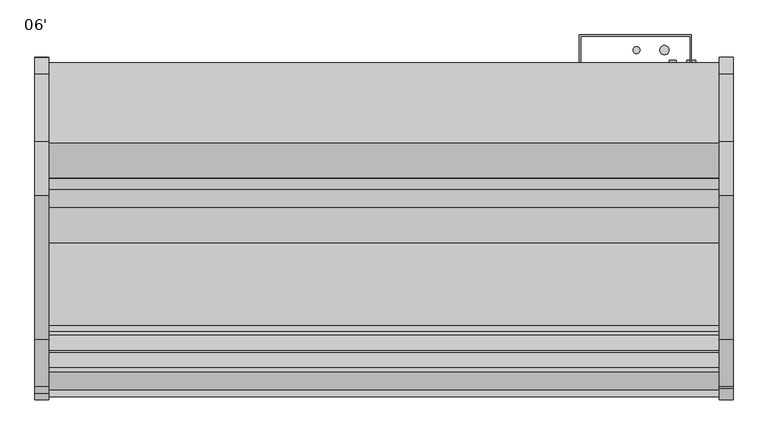
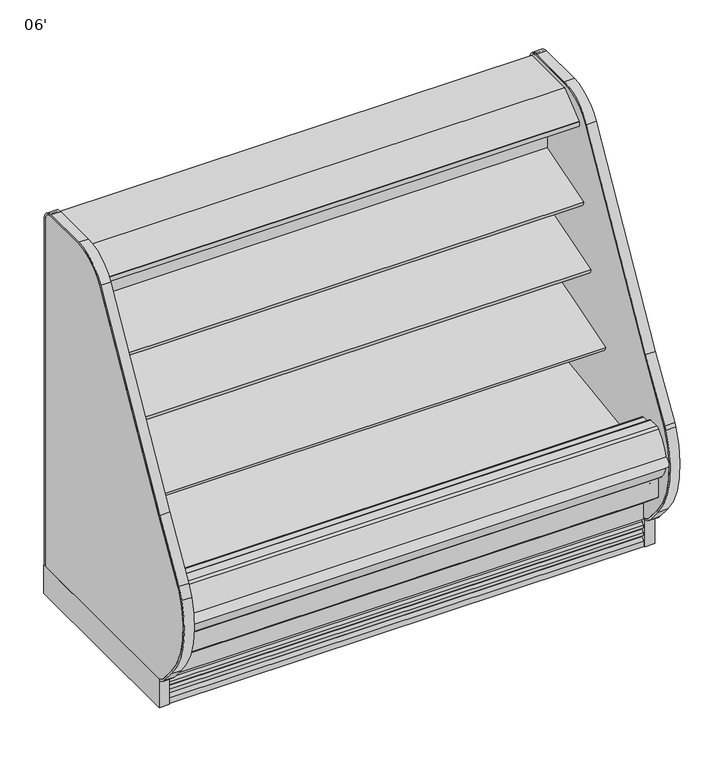
"""IFC4 building model written with IfcOpenShell, lengths in millimetres: proxy geometry, 06'."""

from ifc_helpers import new_model, si_unit, point, frame, frame_2d, origin, origin_with_axes, place, context, project, spatial, polyline, circle_curve, trimmed, segment, composite_curve, outline, extrude, source, transform, mapped, element, save
from ifc_brep_helpers import plane_surface, cylinder_surface, revolved_surface, advanced_brep


def proxy_06_6fbaabb9(model_context):
    return source(origin(), model_context, "Body", "SolidModel", [
        extrude(outline(composite_curve([segment(polyline([(-514.5091341, 1461.7730838), (-504.8016201, 1464.7713787), (-504.5349155, 1463.9078752), (-503.4677443, 1463.9078752), (-503.4677443, 1370.1435435), (-528.7629585, 1366.5907473)]), True, "CONTINUOUS"), segment(trimmed(circle_curve(frame_2d((-528.9028414, 1368.1644225)), 1.57988), [point((-528.7629585, 1366.5907473))], [point((-530.4673461, 1367.9445457))], False, "CARTESIAN"), True, "CONTINUOUS"), segment(polyline([(-530.4673461, 1367.9445457), (-531.3521558, 1374.2402938), (-530.5673882, 1374.3505857), (-529.5729936, 1367.2751005), (-505.9922352, 1370.58916), (-520.0882739, 1470.887687), (-542.8488553, 1467.8653314)]), True, "CONTINUOUS"), segment(trimmed(circle_curve(frame_2d((-542.745207, 1467.084783)), 0.7874), [point((-542.8488553, 1467.8653314))], [point((-543.5257554, 1466.9811347))], True, "CARTESIAN"), True, "CONTINUOUS"), segment(polyline([(-543.5257554, 1466.9811347), (-542.5026464, 1459.2763646), (-543.2831951, 1459.1727184), (-544.3063038, 1466.8774865)]), True, "CONTINUOUS"), segment(trimmed(circle_curve(frame_2d((-542.745207, 1467.084783)), 1.5748), [point((-544.3063038, 1466.8774865))], [point((-542.9525036, 1468.6458798))], False, "CARTESIAN"), True, "CONTINUOUS"), segment(polyline([(-542.9525036, 1468.6458798), (-518.9880924, 1471.8280909)]), True, "CONTINUOUS"), segment(trimmed(circle_curve(frame_2d((-518.7807959, 1470.2669941)), 1.5748), [point((-518.9880924, 1471.8280909))], [point((-517.2761312, 1470.7317298))], False, "CARTESIAN"), True, "CONTINUOUS"), segment(polyline([(-517.2761312, 1470.7317298), (-514.5091341, 1461.7730838)]), True, "CONTINUOUS")], self_intersect=False)), frame((0.0, 0.0, 0.0), z_axis=(1.0, 0.0, 0.0), x_axis=(0.0, 1.0, 0.0)), (0.0, 0.0, 1.0), 1828.8),
        extrude(outline(polyline([(-401.4996571, 1543.05), (-401.4996571, 1496.6220648), (-452.2996571, 1496.6220648), (-452.2996571, 1463.9078752), (-504.5349155, 1463.9078752), (-506.6141646, 1470.6398143), (-511.4086108, 1469.1589857), (-535.4786509, 1497.8445425), (-642.2469687, 1497.8445425), (-643.0851687, 1497.0063425), (-643.0851687, 1485.8811425), (-643.6432583, 1484.7023324), (-688.2811012, 1448.1263324), (-689.2470116, 1447.7811425), (-700.7436347, 1447.7811425), (-700.7436347, 1445.8493669), (-715.857653, 1445.8493669), (-715.857653, 1464.1183169), (-715.2644915, 1465.3619059), (-619.327685, 1543.05), (-401.4996571, 1543.05)])), frame((0.0, 0.0, 0.0), z_axis=(1.0, 0.0, 0.0), x_axis=(0.0, 1.0, 0.0)), (0.0, 0.0, 1.0), 1828.8),
        extrude(outline(composite_curve([segment(polyline([(-505.9922352, 1370.58916), (-529.5729936, 1367.2751005), (-530.5673882, 1374.3505857), (-542.4978224, 1459.2400359), (-543.5257554, 1466.9811347)]), True, "CONTINUOUS"), segment(trimmed(circle_curve(frame_2d((-542.745207, 1467.084783)), 0.7874), [point((-543.5257554, 1466.9811347))], [point((-542.8488553, 1467.8653314))], False, "CARTESIAN"), True, "CONTINUOUS"), segment(polyline([(-542.8488553, 1467.8653314), (-520.0882739, 1470.887687), (-505.9922352, 1370.58916)]), True, "CONTINUOUS")], self_intersect=False)), frame((0.0, 0.0, 0.0), z_axis=(1.0, 0.0, 0.0), x_axis=(0.0, 1.0, 0.0)), (0.0, 0.0, 1.0), 1828.8),
        extrude(outline(composite_curve([segment(trimmed(circle_curve(frame_2d((-586.8222651, 1471.8018376)), 14.2875), [point((-601.1097651, 1471.8018376))], [point((-572.5347651, 1471.8018376))], False, "CARTESIAN"), True, "CONTINUOUS"), segment(trimmed(circle_curve(frame_2d((-586.8222651, 1471.8018376)), 14.2875), [point((-572.5347651, 1471.8018376))], [point((-601.1097651, 1471.8018376))], False, "CARTESIAN"), True, "CONTINUOUS")], self_intersect=False)), frame((0.0, 0.0, 0.0), z_axis=(1.0, 0.0, 0.0), x_axis=(0.0, 1.0, 0.0)), (0.0, 0.0, 1.0), 1219.2),
        extrude(outline(composite_curve([segment(trimmed(circle_curve(frame_2d((-624.2110651, 1471.8018376)), 14.2875), [point((-638.4985651, 1471.8018376))], [point((-609.9235651, 1471.8018376))], False, "CARTESIAN"), True, "CONTINUOUS"), segment(trimmed(circle_curve(frame_2d((-624.2110651, 1471.8018376)), 14.2875), [point((-609.9235651, 1471.8018376))], [point((-638.4985651, 1471.8018376))], False, "CARTESIAN"), True, "CONTINUOUS")], self_intersect=False)), frame((0.0, 0.0, 0.0), z_axis=(1.0, 0.0, 0.0), x_axis=(0.0, 1.0, 0.0)), (0.0, 0.0, 1.0), 1219.2),
        extrude(outline(polyline([(1866.9, -385.6339273), (1866.9, -1152.4160029), (1828.8, -1152.4160029), (1828.8, -385.6339273), (1866.9, -385.6339273)])), origin_with_axes(), (0.0, 0.0, 1.0), 114.3),
        extrude(outline(composite_curve([segment(polyline([(-1152.4160029, 116.5798969), (-1152.4160029, 109.595887)]), True, "CONTINUOUS"), segment(trimmed(circle_curve(frame_2d((-1137.6967441, 171.4363524)), 63.5680717), [point((-1152.4160029, 109.595887))], [point((-1186.495575, 130.6984851))], False, "CARTESIAN"), True, "CONTINUOUS"), segment(polyline([(-1186.495575, 130.6984851), (-1238.6113068, 192.4078615)]), True, "CONTINUOUS"), segment(trimmed(circle_curve(frame_2d((-971.0702851, 416.9014342)), 349.25), [point((-1238.6113068, 192.4078615))], [point((-1290.6630685, 557.7418237))], False, "CARTESIAN"), True, "CONTINUOUS"), segment(trimmed(circle_curve(frame_2d((-1181.0473048, 509.9026614)), 119.6001718), [point((-1290.6630685, 557.7418237))], [point((-1283.5646612, 571.5013037))], False, "CARTESIAN"), True, "CONTINUOUS"), segment(polyline([(-1283.5646612, 571.5013037), (-1156.015482, 783.7787857), (-762.9420906, 1480.8530893)]), True, "CONTINUOUS"), segment(trimmed(circle_curve(frame_2d((-615.9139315, 1397.9453465)), 168.7926935), [point((-762.9420906, 1480.8530893))], [point((-615.9139315, 1566.73804))], False, "CARTESIAN"), True, "CONTINUOUS"), segment(polyline([(-615.9139315, 1566.73804), (-431.2380096, 1566.7610104)]), True, "CONTINUOUS"), segment(trimmed(circle_curve(frame_2d((-431.2324808, 1522.3110107)), 44.45), [point((-431.2380096, 1566.7610104))], [point((-386.7824808, 1522.3110107))], False, "CARTESIAN"), True, "CONTINUOUS"), segment(polyline([(-386.7824808, 1522.3110107), (-386.7824808, 114.3229711), (-393.1324808, 114.3229711), (-393.1324808, 1522.3110108)]), True, "CONTINUOUS"), segment(trimmed(circle_curve(frame_2d((-431.2324808, 1522.3110108)), 38.1), [point((-393.1324808, 1522.3110108))], [point((-431.2373794, 1560.4110104))], True, "CARTESIAN"), True, "CONTINUOUS"), segment(polyline([(-431.2373794, 1560.4110104), (-616.4365773, 1560.3871992)]), True, "CONTINUOUS"), segment(trimmed(circle_curve(frame_2d((-615.9139315, 1397.9453465)), 162.4426935), [point((-616.4365773, 1560.3871992))], [point((-757.4108748, 1477.7340908))], True, "CARTESIAN"), True, "CONTINUOUS"), segment(polyline([(-757.4108748, 1477.7340908), (-1150.5273223, 780.5834317), (-1281.3767651, 562.8133887)]), True, "CONTINUOUS"), segment(trimmed(circle_curve(frame_2d((-971.0702851, 416.9014342)), 342.9), [point((-1281.3767651, 562.8133887))], [point((-1233.7469246, 196.4895629))], True, "CARTESIAN"), True, "CONTINUOUS"), segment(polyline([(-1233.7469246, 196.4895629), (-1181.4257503, 135.1646002)]), True, "CONTINUOUS"), segment(trimmed(circle_curve(frame_2d((-1137.4891348, 171.8136543)), 57.2152021), [point((-1181.4257503, 135.1646002))], [point((-1152.4160029, 116.5798969))], True, "CARTESIAN"), True, "CONTINUOUS")], self_intersect=False)), frame((1828.8, 0.0, 0.0), z_axis=(1.0, 0.0, 0.0), x_axis=(0.0, 1.0, 0.0)), (0.0, 0.0, 1.0), 38.1),
        extrude(outline(composite_curve([segment(trimmed(circle_curve(frame_2d((-1137.0029315, 171.45)), 57.15), [point((-1152.4160029, 116.4176483))], [point((-1180.7823715, 134.7146881))], False, "CARTESIAN"), True, "CONTINUOUS"), segment(polyline([(-1180.7823715, 134.7146881), (-1233.7512633, 196.4665918)]), True, "CONTINUOUS"), segment(trimmed(circle_curve(frame_2d((-971.0746237, 416.8784632)), 342.9), [point((-1233.7512633, 196.4665918))], [point((-1281.3469933, 562.8629373))], False, "CARTESIAN"), True, "CONTINUOUS"), segment(polyline([(-1281.3469933, 562.8629373), (-1150.5273223, 780.5834317), (-757.4108748, 1477.7340908)]), True, "CONTINUOUS"), segment(trimmed(circle_curve(frame_2d((-615.9139315, 1397.9453465)), 162.4426935), [point((-757.4108748, 1477.7340908))], [point((-615.9139315, 1560.38804))], False, "CARTESIAN"), True, "CONTINUOUS"), segment(polyline([(-615.9139315, 1560.38804), (-430.0839273, 1560.38804)]), True, "CONTINUOUS"), segment(trimmed(circle_curve(frame_2d((-430.0839273, 1522.28804)), 38.1), [point((-430.0839273, 1560.38804))], [point((-391.9839273, 1522.28804))], False, "CARTESIAN"), True, "CONTINUOUS"), segment(polyline([(-391.9839273, 1522.28804), (-391.9839273, 114.3), (-1152.4160029, 114.3), (-1152.4160029, 116.4176483)]), True, "CONTINUOUS")], self_intersect=False)), frame((1828.8, 0.0, 0.0), z_axis=(1.0, 0.0, 0.0), x_axis=(0.0, 1.0, 0.0)), (0.0, 0.0, 1.0), 38.1),
        extrude(outline(composite_curve([segment(polyline([(-503.4770145, 920.8287489), (-520.8520366, 915.1919252)]), True, "CONTINUOUS"), segment(trimmed(circle_curve(frame_2d((-528.6901714, 939.3522986)), 25.4), [point((-520.8520366, 915.1919252))], [point((-538.1963728, 915.7982727))], False, "CARTESIAN"), True, "CONTINUOUS"), segment(polyline([(-538.1963728, 915.7982727), (-559.4917706, 924.3929113)]), True, "CONTINUOUS"), segment(trimmed(circle_curve(frame_2d((-583.257274, 865.5078465)), 63.5), [point((-559.4917706, 924.3929113))], [point((-594.1259367, 928.0707922))], True, "CARTESIAN"), True, "CONTINUOUS"), segment(polyline([(-594.1259367, 928.0707922), (-731.8940366, 910.7307584), (-734.3236807, 913.5856986), (-790.800009, 896.3191523), (-794.9587042, 909.9216311), (-503.4770145, 999.0365267), (-503.4770145, 920.8287489)]), True, "CONTINUOUS")], self_intersect=False)), frame((0.0, 0.0, 0.0), z_axis=(1.0, 0.0, 0.0), x_axis=(0.0, 1.0, 0.0)), (0.0, 0.0, 1.0), 1828.8),
        extrude(outline(composite_curve([segment(trimmed(circle_curve(frame_2d((-1293.046896, 431.6467295)), 19.6948721), [point((-1294.5628329, 412.0102858))], [point((-1294.1478613, 451.310805))], False, "CARTESIAN"), True, "CONTINUOUS"), segment(trimmed(circle_curve(frame_2d((-1122.0488977, 406.9971865)), 177.712549), [point((-1294.1478613, 451.310805))], [point((-1294.961171, 448.0227374))], True, "CARTESIAN"), True, "CONTINUOUS"), segment(trimmed(circle_curve(frame_2d((-1207.0580757, 430.9866152)), 89.5387269), [point((-1294.961171, 448.0227374))], [point((-1294.5628329, 412.0102858))], True, "CARTESIAN"), True, "CONTINUOUS")], self_intersect=False)), frame((0.0, 0.0, 0.0), z_axis=(1.0, 0.0, 0.0), x_axis=(0.0, 1.0, 0.0)), (0.0, 0.0, 1.0), 1828.8),
        extrude(outline(composite_curve([segment(trimmed(circle_curve(frame_2d((1669.0362287, -1007.9339273)), 12.7), [point((1656.3362287, -1007.9339273))], [point((1681.7362287, -1007.9339273))], False, "CARTESIAN"), True, "CONTINUOUS"), segment(trimmed(circle_curve(frame_2d((1669.0362287, -1007.9339273)), 12.7), [point((1681.7362287, -1007.9339273))], [point((1656.3362287, -1007.9339273))], False, "CARTESIAN"), True, "CONTINUOUS")], self_intersect=False)), frame((0.0, 0.0, 68.5310382), z_axis=(0.0, 0.0, 1.0), x_axis=(1.0, 0.0, 0.0)), (0.0, 0.0, 1.0), 52.7807458),
        extrude(outline(composite_curve([segment(trimmed(circle_curve(frame_2d((1618.83831, -1007.9339273)), 9.525), [point((1609.31331, -1007.9339273))], [point((1628.36331, -1007.9339273))], False, "CARTESIAN"), True, "CONTINUOUS"), segment(trimmed(circle_curve(frame_2d((1618.83831, -1007.9339273)), 9.525), [point((1628.36331, -1007.9339273))], [point((1609.31331, -1007.9339273))], False, "CARTESIAN"), True, "CONTINUOUS")], self_intersect=False)), frame((0.0, 0.0, 68.5310382), z_axis=(0.0, 0.0, 1.0), x_axis=(1.0, 0.0, 0.0)), (0.0, 0.0, 1.0), 52.7807458),
        extrude(outline(polyline([(0.0, -385.6339273), (0.0, -1152.4160029), (-38.1, -1152.4160029), (-38.1, -385.6339273), (0.0, -385.6339273)])), origin_with_axes(), (0.0, 0.0, 1.0), 114.3),
        extrude(outline(composite_curve([segment(polyline([(-1152.4160029, 116.5386609), (-1152.4160029, 109.5719159)]), True, "CONTINUOUS"), segment(trimmed(circle_curve(frame_2d((-1137.6993705, 171.4132571)), 63.5683156), [point((-1152.4160029, 109.5719159))], [point((-1186.4987719, 130.6756925))], False, "CARTESIAN"), True, "CONTINUOUS"), segment(polyline([(-1186.4987719, 130.6756925), (-1231.7344679, 184.4584385)]), True, "CONTINUOUS"), segment(trimmed(circle_curve(frame_2d((-971.0702851, 416.9014342)), 349.25), [point((-1231.7344679, 184.4584385))], [point((-1302.5796605, 526.7972782))], False, "CARTESIAN"), True, "CONTINUOUS"), segment(trimmed(circle_curve(frame_2d((-1021.326846, 433.5615578)), 296.3039744), [point((-1302.5796605, 526.7972782))], [point((-1283.5646612, 571.5013037))], False, "CARTESIAN"), True, "CONTINUOUS"), segment(polyline([(-1283.5646612, 571.5013037), (-1156.015482, 783.7787857), (-762.9420906, 1480.8530893)]), True, "CONTINUOUS"), segment(trimmed(circle_curve(frame_2d((-615.9139315, 1397.9453465)), 168.7926935), [point((-762.9420906, 1480.8530893))], [point((-615.9139315, 1566.73804))], False, "CARTESIAN"), True, "CONTINUOUS"), segment(polyline([(-615.9139315, 1566.73804), (-431.1541381, 1566.3062631)]), True, "CONTINUOUS"), segment(trimmed(circle_curve(frame_2d((-431.1541381, 1522.1043075)), 44.2019557), [point((-431.1541381, 1566.3062631))], [point((-386.9521824, 1522.1043075))], False, "CARTESIAN"), True, "CONTINUOUS"), segment(polyline([(-386.9521824, 1522.1043075), (-386.9521824, 114.3), (-393.1368195, 114.3), (-393.1368195, 1522.28804)]), True, "CONTINUOUS"), segment(trimmed(circle_curve(frame_2d((-431.2368195, 1522.28804)), 38.1), [point((-393.1368195, 1522.28804))], [point((-431.2368195, 1560.38804))], True, "CARTESIAN"), True, "CONTINUOUS"), segment(polyline([(-431.2368195, 1560.38804), (-615.9139315, 1560.38804)]), True, "CONTINUOUS"), segment(trimmed(circle_curve(frame_2d((-615.9139315, 1397.9453465)), 162.4426935), [point((-615.9139315, 1560.38804))], [point((-757.4108748, 1477.7340908))], True, "CARTESIAN"), True, "CONTINUOUS"), segment(polyline([(-757.4108748, 1477.7340908), (-1150.5273223, 780.5834317), (-1281.3469933, 562.8629373)]), True, "CONTINUOUS"), segment(trimmed(circle_curve(frame_2d((-971.0746237, 416.8784632)), 342.9), [point((-1281.3469933, 562.8629373))], [point((-1233.7512633, 196.4665918))], True, "CARTESIAN"), True, "CONTINUOUS"), segment(polyline([(-1233.7512633, 196.4665918), (-1181.2448323, 135.0745651)]), True, "CONTINUOUS"), segment(trimmed(circle_curve(frame_2d((-1137.3076402, 171.7232892)), 57.2154334), [point((-1181.2448323, 135.0745651))], [point((-1152.4160029, 116.5386609))], True, "CARTESIAN"), True, "CONTINUOUS")], self_intersect=False)), frame((-38.1, 0.0, 0.0), z_axis=(1.0, 0.0, 0.0), x_axis=(0.0, 1.0, 0.0)), (0.0, 0.0, 1.0), 38.1),
        extrude(outline(composite_curve([segment(trimmed(circle_curve(frame_2d((-1137.2511707, 171.7304997)), 57.2147041), [point((-1152.4160029, 116.562119))], [point((-1181.1891263, 135.0838297))], False, "CARTESIAN"), True, "CONTINUOUS"), segment(polyline([(-1181.1891263, 135.0838297), (-1233.4618414, 196.9898389)]), True, "CONTINUOUS"), segment(trimmed(circle_curve(frame_2d((-972.7472142, 417.1342414)), 341.2267205), [point((-1233.4618414, 196.9898389))], [point((-1282.8750242, 559.4592788))], False, "CARTESIAN"), True, "CONTINUOUS"), segment(trimmed(circle_curve(frame_2d((-1158.7397111, 498.0860076)), 138.4783535), [point((-1282.8750242, 559.4592788))], [point((-1277.4328013, 569.4176605))], False, "CARTESIAN"), True, "CONTINUOUS"), segment(polyline([(-1277.4328013, 569.4176605), (-1150.5273223, 780.5834317), (-757.4108748, 1477.7340908)]), True, "CONTINUOUS"), segment(trimmed(circle_curve(frame_2d((-615.9139315, 1397.9453465)), 162.4426935), [point((-757.4108748, 1477.7340908))], [point((-615.9139315, 1560.38804))], False, "CARTESIAN"), True, "CONTINUOUS"), segment(polyline([(-615.9139315, 1560.38804), (-431.2178632, 1560.2961463)]), True, "CONTINUOUS"), segment(trimmed(circle_curve(frame_2d((-431.2368195, 1522.196151)), 38.1), [point((-431.2178632, 1560.2961463))], [point((-393.1368195, 1522.196151))], False, "CARTESIAN"), True, "CONTINUOUS"), segment(polyline([(-393.1368195, 1522.196151), (-393.1368195, 114.2081157), (-1152.4160029, 114.2081157), (-1152.4160029, 116.562119)]), True, "CONTINUOUS")], self_intersect=False)), frame((-38.1, 0.0, 0.0), z_axis=(1.0, 0.0, 0.0), x_axis=(0.0, 1.0, 0.0)), (0.0, 0.0, 1.0), 38.1),
        extrude(outline(polyline([(1749.425, -401.5089273), (1749.425, -328.4839273), (1450.975, -328.4839273), (1450.975, -401.5089273), (1447.8, -401.5089273), (1447.8, -325.3089273), (1752.6, -325.3089273), (1752.6, -401.5089273), (1749.425, -401.5089273)])), frame((0.0, 0.0, 522.6122796), z_axis=(0.0, 0.0, 1.0), x_axis=(1.0, 0.0, 0.0)), (0.0, 0.0, 1.0), 828.7215991),
        advanced_brep(
        [(0.0, -401.5089273, 1496.6220648), (0.0, -401.5089273, 130.175), (0.0, -1092.9329421, 130.175), (0.0, -1242.6779256, 255.8259604), (0.0, -1242.6779256, 390.4771975), (0.0, -1191.6695874, 390.4771975), (0.0, -1191.6695874, 280.6965658), (0.0, -1081.6882807, 188.4112919), (0.0, -1075.5167374, 188.6268069), (0.0, -1036.8125365, 160.6272219), (0.0, -1035.5745571, 160.670453), (0.0, -1022.2030531, 151.6562137), (0.0, -961.9148015, 153.7615258), (0.0, -949.2046713, 163.6865559), (0.0, -947.966692, 163.7297871), (0.0, -911.2586215, 194.4039054), (0.0, -452.3089273, 210.4307819), (0.0, -452.3089273, 1496.6220648), (1828.8, -401.5089273, 1496.6220648), (1828.8, -452.3089273, 1496.6220648), (1828.8, -452.3089273, 210.4307819), (1828.8, -911.2586215, 194.4039054), (1828.8, -947.966692, 163.7297871), (1828.8, -949.2046713, 163.6865559), (1828.8, -961.9148015, 153.7615258), (1828.8, -1022.2030531, 151.6562137), (1828.8, -1035.5745571, 160.670453), (1828.8, -1036.8125365, 160.6272219), (1828.8, -1075.5167374, 188.6268069), (1828.8, -1081.6882807, 188.4112919), (1828.8, -1191.6695874, 280.6965658), (1828.8, -1191.6695874, 390.4771975), (1828.8, -1242.6779256, 390.4771975), (1828.8, -1242.6779256, 255.8259604), (1828.8, -1092.9329421, 130.175), (1828.8, -401.5089273, 130.175), (1727.2, -401.5089273, 368.3), (1727.2, -401.5089273, 266.7), (1727.2, -446.7209273, 266.7), (1727.2, -446.7209273, 368.3)],
        [
            (0, 1),
            (1, 2),
            (2, 3),
            (3, 4),
            (4, 5),
            (5, 6),
            (6, 7),
            (7, 8),
            (8, 9),
            (9, 10),
            (10, 11),
            (11, 12),
            (12, 13),
            (13, 14),
            (14, 15),
            (15, 16),
            (16, 17),
            (17, 0),
            (18, 19),
            (19, 20),
            (20, 21),
            (21, 22),
            (22, 23),
            (23, 24),
            (24, 25),
            (25, 26),
            (26, 27),
            (27, 28),
            (28, 29),
            (29, 30),
            (30, 31),
            (31, 32),
            (32, 33),
            (33, 34),
            (34, 35),
            (35, 18),
            (17, 19),
            (18, 0),
            (16, 20),
            (1, 35),
            (34, 2),
            (36, 37, circle_curve(frame((1727.2, -401.5089273, 317.5), z_axis=(0.0, -1.0, 0.0), x_axis=(0.0, 0.0, 1.0)), 50.8)),
            (37, 36, circle_curve(frame((1727.2, -401.5089273, 317.5), z_axis=(0.0, -1.0, 0.0), x_axis=(0.0, 0.0, 1.0)), 50.8)),
            (38, 39, circle_curve(frame((1727.2, -446.7209273, 317.5), z_axis=(0.0, 1.0, 0.0), x_axis=(0.0, 0.0, 1.0)), 50.8)),
            (39, 38, circle_curve(frame((1727.2, -446.7209273, 317.5), z_axis=(0.0, 1.0, 0.0), x_axis=(0.0, 0.0, 1.0)), 50.8)),
            (38, 37),
            (36, 39),
            (15, 21),
            (14, 22),
            (13, 23),
            (12, 24),
            (11, 25),
            (10, 26),
            (9, 27),
            (8, 28),
            (7, 29),
            (6, 30),
            (5, 31),
            (4, 32),
            (3, 33),
        ],
        [
            plane_surface(frame((0.0, -452.3089273, 1496.6220648), z_axis=(-1.0, 0.0, 0.0), x_axis=(0.0, 1.0, 0.0))),
            plane_surface(frame((1828.8, -452.3089273, 1496.6220648), z_axis=(1.0, 0.0, 0.0), x_axis=(0.0, -1.0, 0.0))),
            plane_surface(frame((1828.8, -401.5089273, 1496.6220648), z_axis=(0.0, 0.0, 1.0), x_axis=(-1.0, 0.0, 0.0))),
            plane_surface(frame((1828.8, -452.3089273, 1496.6220648), z_axis=(0.0, -1.0, 0.0), x_axis=(-1.0, 0.0, 0.0))),
            plane_surface(frame((1828.8, -1092.9329421, 130.175), z_axis=(0.0, 0.0, -1.0), x_axis=(-1.0, 0.0, 0.0))),
            plane_surface(frame((1828.8, -401.5089273, 130.175), z_axis=(0.0, 1.0, 0.0), x_axis=(-1.0, 0.0, 0.0))),
            plane_surface(frame((1727.2, -446.7209273, 368.3), z_axis=(0.0, 1.0, 0.0), x_axis=(-1.0, 0.0, 0.0))),
            revolved_surface(polyline([(1727.2, -401.5089273, 368.3), (1727.2, -446.7209273, 368.3)]), (1727.2, -446.7209273, 317.5), (0.0, 1.0, 0.0)),
            plane_surface(frame((1828.8, -452.3089273, 210.4307819), z_axis=(0.0, -0.034899496702464096, 0.9993908270190971), x_axis=(-1.0, 0.0, 0.0))),
            plane_surface(frame((1828.8, -911.2586215, 194.4039054), z_axis=(0.0, -0.6412208566386186, 0.7673563794037528), x_axis=(-1.0, 0.0, 0.0))),
            plane_surface(frame((1828.8, -947.966692, 163.7297871), z_axis=(0.0, -0.03489949670032392, 0.9993908270191718), x_axis=(-1.0, 0.0, 0.0))),
            plane_surface(frame((1828.8, -949.2046713, 163.6865559), z_axis=(0.0, -0.6154607629252682, 0.7881675261639793), x_axis=(-1.0, 0.0, 0.0))),
            plane_surface(frame((1828.8, -961.9148015, 153.7615258), z_axis=(0.0, -0.03489949670245096, 0.9993908270190975), x_axis=(-1.0, 0.0, 0.0))),
            plane_surface(frame((1828.8, -1022.2030531, 151.6562137), z_axis=(0.0, 0.5589817440968015, 0.8291799622316606), x_axis=(-1.0, 0.0, 0.0))),
            plane_surface(frame((1828.8, -1035.5745571, 160.670453), z_axis=(0.0, -0.03489949670146529, 0.999390827019132), x_axis=(-1.0, 0.0, 0.0))),
            plane_surface(frame((1828.8, -1036.8125365, 160.6272219), z_axis=(0.0, 0.5861307997256017, 0.810216443682197), x_axis=(-1.0, 0.0, 0.0))),
            plane_surface(frame((1828.8, -1075.5167374, 188.6268069), z_axis=(0.0, -0.034899496703538944, 0.9993908270190596), x_axis=(-1.0, 0.0, 0.0))),
            plane_surface(frame((1828.8, -1081.6882807, 188.4112919), z_axis=(0.0, 0.6427876096870883, 0.7660444431185175), x_axis=(-1.0, 0.0, 0.0))),
            plane_surface(frame((1828.8, -1191.6695874, 280.6965658), z_axis=(0.0, 1.0, 0.0), x_axis=(-1.0, 0.0, 0.0))),
            plane_surface(frame((1828.8, -1191.6695874, 390.4771975), z_axis=(0.0, 0.0, 1.0), x_axis=(-1.0, 0.0, 0.0))),
            plane_surface(frame((1828.8, -1242.6779256, 390.4771975), z_axis=(0.0, -1.0, 0.0), x_axis=(-1.0, 0.0, 0.0))),
            plane_surface(frame((1828.8, -1242.6779256, 255.8259604), z_axis=(0.0, -0.6427876096870784, -0.7660444431185257), x_axis=(-1.0, 0.0, 0.0))),
        ],
        [
            (0, [[1, 2, 3, 4, 5, 6, 7, 8, 9, 10, 11, 12, 13, 14, 15, 16, 17, 18]]),
            (1, [[19, 20, 21, 22, 23, 24, 25, 26, 27, 28, 29, 30, 31, 32, 33, 34, 35, 36]]),
            (2, [[-18, 37, -19, 38]]),
            (3, [[-17, 39, -20, -37]]),
            (4, [[-2, 40, -35, 41]]),
            (5, [[-1, -38, -36, -40], [42, 43]]),
            (6, [[44, 45]]),
            (7, [[-44, 46, -42, 47]]),
            (7, [[-45, -47, -43, -46]]),
            (8, [[-16, 48, -21, -39]]),
            (9, [[-15, 49, -22, -48]]),
            (10, [[-14, 50, -23, -49]]),
            (11, [[-13, 51, -24, -50]]),
            (12, [[-12, 52, -25, -51]]),
            (13, [[-11, 53, -26, -52]]),
            (14, [[-10, 54, -27, -53]]),
            (15, [[-9, 55, -28, -54]]),
            (16, [[-8, 56, -29, -55]]),
            (17, [[-7, 57, -30, -56]]),
            (18, [[-6, 58, -31, -57]]),
            (19, [[-5, 59, -32, -58]]),
            (20, [[-4, 60, -33, -59]]),
            (21, [[-3, -41, -34, -60]]),
        ],
    ),
        extrude(outline(composite_curve([segment(polyline([(-503.4770145, 1229.6443045), (-503.4770145, 1151.1243135), (-520.8520366, 1145.4874898)]), True, "CONTINUOUS"), segment(trimmed(circle_curve(frame_2d((-528.6901714, 1169.6478632)), 25.4), [point((-520.8520366, 1145.4874898))], [point((-538.1963728, 1146.0938373))], False, "CARTESIAN"), True, "CONTINUOUS"), segment(polyline([(-538.1963728, 1146.0938373), (-559.4917706, 1154.6884758)]), True, "CONTINUOUS"), segment(trimmed(circle_curve(frame_2d((-583.257274, 1095.8034111)), 63.5), [point((-559.4917706, 1154.6884758))], [point((-594.1259367, 1158.3663568))], True, "CARTESIAN"), True, "CONTINUOUS"), segment(polyline([(-594.1259367, 1158.3663568), (-683.313755, 1155.8788055), (-685.7433991, 1158.7337458), (-742.2197274, 1141.4671994), (-746.4657163, 1155.3552031), (-503.4770145, 1229.6443045)]), True, "CONTINUOUS")], self_intersect=False)), frame((0.0, 0.0, 0.0), z_axis=(1.0, 0.0, 0.0), x_axis=(0.0, 1.0, 0.0)), (0.0, 0.0, 1.0), 1828.8),
        extrude(outline(composite_curve([segment(polyline([(-503.4770145, 694.2615222), (-521.9044919, 688.2832597)]), True, "CONTINUOUS"), segment(trimmed(circle_curve(frame_2d((-528.6901714, 712.7600764)), 25.4), [point((-521.9044919, 688.2832597))], [point((-538.1963728, 689.2060505))], False, "CARTESIAN"), True, "CONTINUOUS"), segment(polyline([(-538.1963728, 689.2060505), (-559.4917706, 697.8006891)]), True, "CONTINUOUS"), segment(trimmed(circle_curve(frame_2d((-583.257274, 638.9156243)), 63.5), [point((-559.4917706, 697.8006891))], [point((-594.1259367, 701.47857))], True, "CARTESIAN"), True, "CONTINUOUS"), segment(polyline([(-594.1259367, 701.47857), (-829.0545998, 654.433571), (-831.4842439, 657.2885112), (-887.9605722, 640.0219649), (-892.1192674, 653.6244437), (-503.4770145, 772.4443045), (-503.4770145, 694.2615222)]), True, "CONTINUOUS")], self_intersect=False)), frame((0.0, 0.0, 0.0), z_axis=(1.0, 0.0, 0.0), x_axis=(0.0, 1.0, 0.0)), (0.0, 0.0, 1.0), 1828.8),
        extrude(outline(composite_curve([segment(polyline([(-1232.9683917, 539.75), (-1190.5503917, 539.75)]), True, "CONTINUOUS"), segment(trimmed(circle_curve(frame_2d((-1190.5503917, 536.575)), 3.175), [point((-1190.5503917, 539.75))], [point((-1187.3753917, 536.575))], False, "CARTESIAN"), True, "CONTINUOUS"), segment(polyline([(-1187.3753917, 536.575), (-1187.3753917, 522.6122796), (-1191.6695874, 522.6122796), (-1191.6695874, 390.4771975), (-1242.6779256, 390.4771975), (-1242.6779256, 349.7062579), (-1260.1512454, 349.7062579)]), True, "CONTINUOUS"), segment(trimmed(circle_curve(frame_2d((-1260.1512454, 355.8622108)), 6.1559529), [point((-1260.1512454, 349.7062579))], [point((-1264.7308437, 351.7484491))], False, "CARTESIAN"), True, "CONTINUOUS"), segment(trimmed(circle_curve(frame_2d((-1169.5637477, 436.1498983)), 127.2021258), [point((-1264.7308437, 351.7484491))], [point((-1296.5567312, 443.441191))], False, "CARTESIAN"), True, "CONTINUOUS"), segment(trimmed(circle_curve(frame_2d((-1122.94688, 405.0685499)), 177.8), [point((-1296.5567312, 443.441191))], [point((-1243.7548144, 535.5226912))], False, "CARTESIAN"), True, "CONTINUOUS"), segment(trimmed(circle_curve(frame_2d((-1232.9683917, 523.875)), 15.875), [point((-1243.7548144, 535.5226912))], [point((-1232.9683917, 539.75))], False, "CARTESIAN"), True, "CONTINUOUS")], self_intersect=False)), frame((0.0, 0.0, 0.0), z_axis=(1.0, 0.0, 0.0), x_axis=(0.0, 1.0, 0.0)), (0.0, 0.0, 1.0), 1828.8),
        extrude(outline(composite_curve([segment(polyline([(-1117.0624519, 150.4220627), (-1117.0624519, 0.0), (-1148.0584493, 0.0), (-1148.0584493, 21.591952)]), True, "CONTINUOUS"), segment(trimmed(circle_curve(frame_2d((-1147.5226258, 35.2873287)), 13.7058546), [point((-1148.0584493, 21.591952))], [point((-1134.4406464, 31.1992648))], True, "CARTESIAN"), True, "CONTINUOUS"), segment(polyline([(-1134.4406464, 31.1992648), (-1131.6258599, 40.2067021), (-1143.5826446, 40.2067021), (-1143.5826446, 52.9067021)]), True, "CONTINUOUS"), segment(trimmed(circle_curve(frame_2d((-1148.0005124, 66.4088493)), 14.2065314), [point((-1143.5826446, 52.9067021))], [point((-1134.4406464, 62.1714479))], True, "CARTESIAN"), True, "CONTINUOUS"), segment(polyline([(-1134.4406464, 62.1714479), (-1131.6258599, 71.1788852), (-1143.5826446, 71.1788852), (-1143.5826446, 83.8788852)]), True, "CONTINUOUS"), segment(trimmed(circle_curve(frame_2d((-1148.0728877, 97.4524489)), 14.2969897), [point((-1143.5826446, 83.8788852))], [point((-1134.4406464, 93.143631))], True, "CARTESIAN"), True, "CONTINUOUS"), segment(polyline([(-1134.4406464, 93.143631), (-1130.9515493, 104.1824391), (-1130.9515493, 107.8329403), (-1143.8191893, 107.8329403), (-1143.8191893, 172.8736313), (-1117.0624519, 150.4220627)]), True, "CONTINUOUS")], self_intersect=False)), frame((0.0, 0.0, 0.0), z_axis=(1.0, 0.0, 0.0), x_axis=(0.0, 1.0, 0.0)), (0.0, 0.0, 1.0), 1828.8),
        extrude(outline(composite_curve([segment(trimmed(circle_curve(frame_2d((1603.375, -366.5839273)), 9.525), [point((1593.85, -366.5839273))], [point((1612.9, -366.5839273))], False, "CARTESIAN"), True, "CONTINUOUS"), segment(trimmed(circle_curve(frame_2d((1603.375, -366.5839273)), 9.525), [point((1612.9, -366.5839273))], [point((1593.85, -366.5839273))], False, "CARTESIAN"), True, "CONTINUOUS")], self_intersect=False)), frame((0.0, 0.0, 1070.4944621), z_axis=(0.0, 0.0, 1.0), x_axis=(1.0, 0.0, 0.0)), (0.0, 0.0, 1.0), 291.1992178),
        extrude(outline(composite_curve([segment(trimmed(circle_curve(frame_2d((1679.575, -366.5839273)), 12.7), [point((1666.875, -366.5839273))], [point((1692.275, -366.5839273))], False, "CARTESIAN"), True, "CONTINUOUS"), segment(trimmed(circle_curve(frame_2d((1679.575, -366.5839273)), 12.7), [point((1692.275, -366.5839273))], [point((1666.875, -366.5839273))], False, "CARTESIAN"), True, "CONTINUOUS")], self_intersect=False)), frame((0.0, 0.0, 1070.4944621), z_axis=(0.0, 0.0, 1.0), x_axis=(1.0, 0.0, 0.0)), (0.0, 0.0, 1.0), 291.1992178),
        extrude(outline(composite_curve([segment(trimmed(circle_curve(frame_2d((317.5, 1752.6)), 12.7), [point((317.5, 1765.3))], [point((317.5, 1739.9))], False, "CARTESIAN"), True, "CONTINUOUS"), segment(trimmed(circle_curve(frame_2d((317.5, 1752.6)), 12.7), [point((317.5, 1739.9))], [point((317.5, 1765.3))], False, "CARTESIAN"), True, "CONTINUOUS")], self_intersect=False)), frame((0.0, -446.7209273, 0.0), z_axis=(0.0, 1.0, 0.0), x_axis=(0.0, 0.0, 1.0)), (0.0, 0.0, 1.0), 52.8518438),
        extrude(outline(composite_curve([segment(trimmed(circle_curve(frame_2d((317.5, 1701.8)), 9.525), [point((317.5, 1711.325))], [point((317.5, 1692.275))], False, "CARTESIAN"), True, "CONTINUOUS"), segment(trimmed(circle_curve(frame_2d((317.5, 1701.8)), 9.525), [point((317.5, 1692.275))], [point((317.5, 1711.325))], False, "CARTESIAN"), True, "CONTINUOUS")], self_intersect=False)), frame((0.0, -446.7209273, 0.0), z_axis=(0.0, 1.0, 0.0), x_axis=(0.0, 0.0, 1.0)), (0.0, 0.0, 1.0), 52.8518438),
        extrude(outline(composite_curve([segment(trimmed(circle_curve(frame_2d((914.4, -988.8839273)), 38.1), [point((876.3, -988.8839273))], [point((952.5, -988.8839273))], False, "CARTESIAN"), True, "CONTINUOUS"), segment(trimmed(circle_curve(frame_2d((914.4, -988.8839273)), 38.1), [point((952.5, -988.8839273))], [point((876.3, -988.8839273))], False, "CARTESIAN"), True, "CONTINUOUS")], self_intersect=False)), frame((0.0, 0.0, 68.5310382), z_axis=(0.0, 0.0, 1.0), x_axis=(1.0, 0.0, 0.0)), (0.0, 0.0, 1.0), 52.7807458),
        advanced_brep(
        [(0.0, -1018.0355073, 16.9113003), (0.0, -1117.0624519, 16.9113003), (0.0, -1117.0624519, 150.4220627), (0.0, -1092.9329421, 130.175), (0.0, -1018.0355073, 130.175), (1828.8, -1018.0355073, 16.9113003), (1828.8, -1018.0355073, 130.175), (1828.8, -1092.9329421, 130.175), (1828.8, -1117.0624519, 150.4220627), (1828.8, -1117.0624519, 16.9113003), (1697.6105208, -1018.0355073, 16.9113003), (1697.6105208, -1018.0355073, 121.311784), (1598.0394792, -1018.0355073, 121.311784), (1598.0394792, -1018.0355073, 16.9113003), (956.0031896, -1018.0355073, 16.9113003), (956.0031896, -1018.0355073, 121.311784), (872.7968104, -1018.0355073, 121.311784), (872.7968104, -1018.0355073, 16.9113003)],
        [
            (0, 1),
            (1, 2),
            (2, 3),
            (3, 4),
            (4, 0),
            (5, 6),
            (6, 7),
            (7, 8),
            (8, 9),
            (9, 5),
            (4, 6),
            (5, 10),
            (10, 11),
            (11, 12),
            (12, 13),
            (13, 14),
            (14, 15),
            (15, 16),
            (16, 17),
            (17, 0),
            (3, 7),
            (17, 14, circle_curve(frame((914.4, -988.8839273, 16.9113003), z_axis=(0.0, 0.0, 1.0), x_axis=(1.0, 0.0, 0.0)), 50.8)),
            (13, 10, circle_curve(frame((1647.825, -1007.9339273, 16.9113003), z_axis=(0.0, 0.0, 1.0), x_axis=(1.0, 0.0, 0.0)), 50.8)),
            (9, 1),
            (15, 16, circle_curve(frame((914.4, -988.8839273, 121.311784), z_axis=(0.0, 0.0, -1.0), x_axis=(1.0, 0.0, 0.0)), 50.8)),
            (8, 2),
            (11, 12, circle_curve(frame((1647.825, -1007.9339273, 121.311784), z_axis=(0.0, 0.0, -1.0), x_axis=(1.0, 0.0, 0.0)), 50.8)),
        ],
        [
            plane_surface(frame((0.0, -1018.0355073, 130.175), z_axis=(-1.0, 0.0, 0.0), x_axis=(0.0, 0.0, -1.0))),
            plane_surface(frame((1828.8, -1018.0355073, 130.175), z_axis=(1.0, 0.0, 0.0), x_axis=(0.0, 0.0, 1.0))),
            plane_surface(frame((1828.8, -1018.0355073, 16.9113003), z_axis=(0.0, 1.0, 0.0), x_axis=(-1.0, 0.0, 0.0))),
            plane_surface(frame((1828.8, -1018.0355073, 130.175), z_axis=(0.0, 0.0, 1.0), x_axis=(-1.0, 0.0, 0.0))),
            plane_surface(frame((1828.8, -1117.0624519, 16.9113003), z_axis=(0.0, 0.0, -1.0), x_axis=(-1.0, 0.0, 0.0))),
            plane_surface(frame((965.2, -988.8839273, 121.311784), z_axis=(0.0, 0.0, -1.0), x_axis=(0.0, 1.0, 0.0))),
            revolved_surface(polyline([(965.1999999999999, -988.8839273, 121.311784), (965.1999999999999, -988.8839273, 16.9113003)]), (914.4, -988.8839273, 0.0), (0.0, 0.0, 1.0)),
            plane_surface(frame((1828.8, -1117.0624519, 150.4220627), z_axis=(0.0, -1.0, 0.0), x_axis=(-1.0, 0.0, 0.0))),
            plane_surface(frame((1828.8, -1092.9329421, 130.175), z_axis=(0.0, 0.6427876096870792, 0.766044443118525), x_axis=(-1.0, 0.0, 0.0))),
            plane_surface(frame((1698.625, -1007.9339273, 121.311784), z_axis=(0.0, 0.0, -1.0), x_axis=(0.0, 1.0, 0.0))),
            revolved_surface(polyline([(1698.625, -1007.9339273, 121.311784), (1698.625, -1007.9339273, 16.9113003)]), (1647.825, -1007.9339273, 0.0), (0.0, 0.0, 1.0)),
        ],
        [
            (0, [[1, 2, 3, 4, 5]]),
            (1, [[6, 7, 8, 9, 10]]),
            (2, [[-5, 11, -6, 12, 13, 14, 15, 16, 17, 18, 19, 20]]),
            (3, [[-4, 21, -7, -11]]),
            (4, [[-1, -20, 22, -16, 23, -12, -10, 24]]),
            (5, [[25, -18]]),
            (6, [[-25, -17, -22, -19]]),
            (7, [[-2, -24, -9, 26]]),
            (8, [[-3, -26, -8, -21]]),
            (9, [[27, -14]]),
            (10, [[-27, -13, -23, -15]]),
        ],
    ),
        advanced_brep(
        [(0.0, -401.5089273, 130.175), (0.0, -401.5089273, 0.0), (0.0, -446.7209273, 0.0), (0.0, -446.7209273, 74.8810382), (0.0, -972.7046625, 74.8810382), (0.0, -972.7046625, 0.0), (0.0, -1018.0355073, 0.0), (0.0, -1018.0355073, 130.175), (1828.8, -401.5089273, 130.175), (1828.8, -1018.0355073, 130.175), (1828.8, -1018.0355073, 0.0), (1828.8, -972.7046625, 0.0), (1828.8, -972.7046625, 74.8810382), (1828.8, -446.7209273, 74.8810382), (1828.8, -446.7209273, 0.0), (1828.8, -401.5089273, 0.0), (872.7968104, -1018.0355073, 0.0), (872.7968104, -1018.0355073, 121.311784), (956.0031896, -1018.0355073, 121.311784), (956.0031896, -1018.0355073, 0.0), (1598.0394792, -1018.0355073, 0.0), (1598.0394792, -1018.0355073, 121.311784), (1697.6105208, -1018.0355073, 121.311784), (1697.6105208, -1018.0355073, 0.0), (866.2453388, -972.7046625, 0.0), (863.6, -988.8839273, 0.0), (1698.625, -1007.9339273, 0.0), (1684.4247118, -972.7046625, 0.0), (965.2, -988.8839273, 0.0), (962.5546612, -972.7046625, 0.0), (1611.2252882, -972.7046625, 0.0), (1597.025, -1007.9339273, 0.0), (866.2453388, -972.7046625, 74.8810382), (1684.4247118, -972.7046625, 74.8810382), (962.5546612, -972.7046625, 74.8810382), (1611.2252882, -972.7046625, 74.8810382), (863.6, -988.8839273, 121.311784), (965.2, -988.8839273, 121.311784), (1597.025, -1007.9339273, 121.311784), (1698.625, -1007.9339273, 121.311784)],
        [
            (0, 1),
            (1, 2),
            (2, 3),
            (3, 4),
            (4, 5),
            (5, 6),
            (6, 7),
            (7, 0),
            (8, 9),
            (9, 10),
            (10, 11),
            (11, 12),
            (12, 13),
            (13, 14),
            (14, 15),
            (15, 8),
            (7, 9),
            (8, 0),
            (6, 16),
            (16, 17),
            (17, 18),
            (18, 19),
            (19, 20),
            (20, 21),
            (21, 22),
            (22, 23),
            (23, 10),
            (5, 24),
            (24, 25, circle_curve(frame((914.4, -988.8839273, 0.0), z_axis=(0.0, 0.0, 1.0), x_axis=(1.0, 0.0, 0.0)), 50.8)),
            (25, 16, circle_curve(frame((914.4, -988.8839273, 0.0), z_axis=(0.0, 0.0, 1.0), x_axis=(1.0, 0.0, 0.0)), 50.8)),
            (23, 26, circle_curve(frame((1647.825, -1007.9339273, 0.0), z_axis=(0.0, 0.0, 1.0), x_axis=(1.0, 0.0, 0.0)), 50.8)),
            (26, 27, circle_curve(frame((1647.825, -1007.9339273, 0.0), z_axis=(0.0, 0.0, 1.0), x_axis=(1.0, 0.0, 0.0)), 50.8)),
            (27, 11),
            (19, 28, circle_curve(frame((914.4, -988.8839273, 0.0), z_axis=(0.0, 0.0, 1.0), x_axis=(1.0, 0.0, 0.0)), 50.8)),
            (28, 29, circle_curve(frame((914.4, -988.8839273, 0.0), z_axis=(0.0, 0.0, 1.0), x_axis=(1.0, 0.0, 0.0)), 50.8)),
            (29, 30),
            (30, 31, circle_curve(frame((1647.825, -1007.9339273, 0.0), z_axis=(0.0, 0.0, 1.0), x_axis=(1.0, 0.0, 0.0)), 50.8)),
            (31, 20, circle_curve(frame((1647.825, -1007.9339273, 0.0), z_axis=(0.0, 0.0, 1.0), x_axis=(1.0, 0.0, 0.0)), 50.8)),
            (4, 32),
            (32, 24),
            (27, 33),
            (33, 12),
            (29, 34),
            (34, 35),
            (35, 30),
            (3, 13),
            (33, 35, circle_curve(frame((1647.825, -1007.9339273, 74.8810382), z_axis=(0.0, 0.0, 1.0), x_axis=(1.0, 0.0, 0.0)), 50.8)),
            (34, 32, circle_curve(frame((914.4, -988.8839273, 74.8810382), z_axis=(0.0, 0.0, 1.0), x_axis=(1.0, 0.0, 0.0)), 50.8)),
            (2, 14),
            (1, 15),
            (36, 37, circle_curve(frame((914.4, -988.8839273, 121.311784), z_axis=(0.0, 0.0, -1.0), x_axis=(1.0, 0.0, 0.0)), 50.8)),
            (37, 18, circle_curve(frame((914.4, -988.8839273, 121.311784), z_axis=(0.0, 0.0, -1.0), x_axis=(1.0, 0.0, 0.0)), 50.8)),
            (17, 36, circle_curve(frame((914.4, -988.8839273, 121.311784), z_axis=(0.0, 0.0, -1.0), x_axis=(1.0, 0.0, 0.0)), 50.8)),
            (37, 28),
            (25, 36),
            (38, 39, circle_curve(frame((1647.825, -1007.9339273, 121.311784), z_axis=(0.0, 0.0, -1.0), x_axis=(1.0, 0.0, 0.0)), 50.8)),
            (39, 22, circle_curve(frame((1647.825, -1007.9339273, 121.311784), z_axis=(0.0, 0.0, -1.0), x_axis=(1.0, 0.0, 0.0)), 50.8)),
            (21, 38, circle_curve(frame((1647.825, -1007.9339273, 121.311784), z_axis=(0.0, 0.0, -1.0), x_axis=(1.0, 0.0, 0.0)), 50.8)),
            (39, 26),
            (31, 38),
        ],
        [
            plane_surface(frame((0.0, -1205.8783654, 130.175), z_axis=(-1.0, 0.0, 0.0), x_axis=(0.0, 1.0, 0.0))),
            plane_surface(frame((1828.8, -1205.8783654, 130.175), z_axis=(1.0, 0.0, 0.0), x_axis=(0.0, -1.0, 0.0))),
            plane_surface(frame((1828.8, -401.5089273, 130.175), z_axis=(0.0, 0.0, 1.0), x_axis=(-1.0, 0.0, 0.0))),
            plane_surface(frame((1828.8, -1018.0355073, 130.175), z_axis=(0.0, -1.0, 0.0), x_axis=(-1.0, 0.0, 0.0))),
            plane_surface(frame((1828.8, -1018.0355073, 0.0), z_axis=(0.0, 0.0, -1.0), x_axis=(-1.0, 0.0, 0.0))),
            plane_surface(frame((1828.8, -972.7046625, 0.0), z_axis=(0.0, 1.0, 0.0), x_axis=(-1.0, 0.0, 0.0))),
            plane_surface(frame((1828.8, -972.7046625, 74.8810382), z_axis=(0.0, 0.0, -1.0), x_axis=(-1.0, 0.0, 0.0))),
            plane_surface(frame((1828.8, -446.7209273, 74.8810382), z_axis=(0.0, -1.0, 0.0), x_axis=(-1.0, 0.0, 0.0))),
            plane_surface(frame((1828.8, -446.7209273, 0.0), z_axis=(0.0, 0.0, -1.0), x_axis=(-1.0, 0.0, 0.0))),
            plane_surface(frame((1828.8, -401.5089273, 0.0), z_axis=(0.0, 1.0, 0.0), x_axis=(-1.0, 0.0, 0.0))),
            plane_surface(frame((965.2, -988.8839273, 121.311784), z_axis=(0.0, 0.0, -1.0), x_axis=(0.0, 1.0, 0.0))),
            revolved_surface(polyline([(965.1999999999999, -988.8839273, 121.311784), (965.1999999999999, -988.8839273, 0.0)]), (914.4, -988.8839273, 0.0), (0.0, 0.0, 1.0)),
            plane_surface(frame((1698.625, -1007.9339273, 121.311784), z_axis=(0.0, 0.0, -1.0), x_axis=(0.0, 1.0, 0.0))),
            revolved_surface(polyline([(1698.625, -1007.9339273, 121.311784), (1698.625, -1007.9339273, 0.0)]), (1647.825, -1007.9339273, 0.0), (0.0, 0.0, 1.0)),
        ],
        [
            (0, [[1, 2, 3, 4, 5, 6, 7, 8]]),
            (1, [[9, 10, 11, 12, 13, 14, 15, 16]]),
            (2, [[-8, 17, -9, 18]]),
            (3, [[-7, 19, 20, 21, 22, 23, 24, 25, 26, 27, -10, -17]]),
            (4, [[-6, 28, 29, 30, -19]]),
            (4, [[-11, -27, 31, 32, 33]]),
            (4, [[34, 35, 36, 37, 38, -23]]),
            (5, [[-5, 39, 40, -28]]),
            (5, [[-12, -33, 41, 42]]),
            (5, [[43, 44, 45, -36]]),
            (6, [[-4, 46, -13, -42, 47, -44, 48, -39]]),
            (7, [[-3, 49, -14, -46]]),
            (8, [[-2, 50, -15, -49]]),
            (9, [[-1, -18, -16, -50]]),
            (10, [[51, 52, -21, 53]]),
            (11, [[54, -34, -22, -52]]),
            (11, [[55, -53, -20, -30]]),
            (11, [[-51, -55, -29, -40, -48, -43, -35, -54]]),
            (12, [[56, 57, -25, 58]]),
            (13, [[59, -31, -26, -57]]),
            (13, [[60, -58, -24, -38]]),
            (13, [[-56, -60, -37, -45, -47, -41, -32, -59]]),
        ],
    ),
        extrude(outline(polyline([(688.975, -552.9627532), (688.975, -932.4775263), (180.975, -932.4775263), (180.975, -552.9627532), (688.975, -552.9627532)])), frame((0.0, 0.0, 68.5310382), z_axis=(0.0, 0.0, 1.0), x_axis=(1.0, 0.0, 0.0)), (0.0, 0.0, 1.0), 6.35),
        extrude(outline(polyline([(1828.8, -452.3089273), (1828.8, -503.4770145), (0.0, -503.4770145), (0.0, -452.3089273), (1828.8, -452.3089273)])), frame((0.0, 0.0, 415.8429537), z_axis=(0.0, 0.0, 1.0), x_axis=(1.0, 0.0, 0.0)), (0.0, 0.0, 1.0), 1048.0649215),
        advanced_brep(
        [(0.0, -503.4770145, 415.8429537), (0.0, -452.3089273, 415.8429537), (0.0, -452.3089273, 210.4307819), (0.0, -911.2586215, 194.4039054), (0.0, -947.966692, 163.7297871), (0.0, -949.2046713, 163.6865559), (0.0, -961.9148015, 153.7615258), (0.0, -1022.2030531, 151.6562137), (0.0, -1035.5745571, 160.670453), (0.0, -1036.8125365, 160.6272219), (0.0, -1075.5167374, 188.6268069), (0.0, -1081.6882807, 188.4112919), (0.0, -1191.6695874, 280.6965658), (0.0, -1191.6695874, 390.4771975), (0.0, -1191.6695874, 522.6122796), (0.0, -1143.2268145, 522.6122796), (0.0, -1135.3020145, 514.6874796), (0.0, -1135.3020145, 377.7429537), (0.0, -1117.2993145, 377.7429537), (0.0, -594.8547877, 450.4013198), (0.0, -515.2911073, 458.1248825), (0.0, -503.4770145, 470.7939459), (1828.8, -503.4770145, 415.8429537), (1828.8, -503.4770145, 470.7939459), (1828.8, -515.2911073, 458.1248825), (1828.8, -594.8547877, 450.4013198), (1828.8, -1117.2993145, 377.7429537), (1828.8, -1135.3020145, 377.7429537), (1828.8, -1135.3020145, 514.6874796), (1828.8, -1143.2268145, 522.6122796), (1828.8, -1191.6695874, 522.6122796), (1828.8, -1191.6695874, 390.4771975), (1828.8, -1191.6695874, 280.6965658), (1828.8, -1081.6882807, 188.4112919), (1828.8, -1075.5167374, 188.6268069), (1828.8, -1036.8125365, 160.6272219), (1828.8, -1035.5745571, 160.670453), (1828.8, -1022.2030531, 151.6562137), (1828.8, -961.9148015, 153.7615258), (1828.8, -949.2046713, 163.6865559), (1828.8, -947.966692, 163.7297871), (1828.8, -911.2586215, 194.4039054), (1828.8, -452.3089273, 210.4307819), (1828.8, -452.3089273, 415.8429537)],
        [
            (0, 1),
            (1, 2),
            (2, 3),
            (3, 4),
            (4, 5),
            (5, 6),
            (6, 7),
            (7, 8),
            (8, 9),
            (9, 10),
            (10, 11),
            (11, 12),
            (12, 13),
            (13, 14),
            (14, 15),
            (15, 16, circle_curve(frame((0.0, -1143.2268145, 514.6874796), z_axis=(-1.0, 0.0, 0.0), x_axis=(0.0, 1.0, 0.0)), 7.9248)),
            (16, 17),
            (17, 18),
            (18, 19),
            (19, 20),
            (20, 21, circle_curve(frame((0.0, -516.1770145, 470.7939459), z_axis=(1.0, 0.0, 0.0), x_axis=(0.0, 1.0, 0.0)), 12.7)),
            (21, 0),
            (22, 23),
            (23, 24, circle_curve(frame((1828.8, -516.1770145, 470.7939459), z_axis=(-1.0, 0.0, 0.0), x_axis=(0.0, 1.0, 0.0)), 12.7)),
            (24, 25),
            (25, 26),
            (26, 27),
            (27, 28),
            (28, 29, circle_curve(frame((1828.8, -1143.2268145, 514.6874796), z_axis=(1.0, 0.0, 0.0), x_axis=(0.0, 1.0, 0.0)), 7.9248)),
            (29, 30),
            (30, 31),
            (31, 32),
            (32, 33),
            (33, 34),
            (34, 35),
            (35, 36),
            (36, 37),
            (37, 38),
            (38, 39),
            (39, 40),
            (40, 41),
            (41, 42),
            (42, 43),
            (43, 22),
            (42, 2),
            (1, 43),
            (0, 22),
            (21, 23),
            (20, 24),
            (19, 25),
            (18, 26),
            (17, 27),
            (16, 28),
            (15, 29),
            (14, 30),
            (13, 31),
            (12, 32),
            (11, 33),
            (10, 34),
            (9, 35),
            (8, 36),
            (7, 37),
            (6, 38),
            (5, 39),
            (4, 40),
            (3, 41),
        ],
        [
            plane_surface(frame((0.0, -503.4770145, 1092.9956953), z_axis=(-1.0, 0.0, 0.0), x_axis=(0.0, 0.0, -1.0))),
            plane_surface(frame((1828.8, -503.4770145, 1092.9956953), z_axis=(1.0, 0.0, 0.0), x_axis=(0.0, 0.0, 1.0))),
            plane_surface(frame((1828.8, -452.3089273, 210.4307819), z_axis=(0.0, 1.0, 0.0), x_axis=(-1.0, 0.0, 0.0))),
            plane_surface(frame((1828.8, -452.3089273, 415.8429537), z_axis=(0.0, 0.0, 1.0), x_axis=(-1.0, 0.0, 0.0))),
            plane_surface(frame((1828.8, -503.4770145, 415.8429537), z_axis=(0.0, 1.0, 0.0), x_axis=(-1.0, 0.0, 0.0))),
            revolved_surface(polyline([(0.0, -503.47701450000005, 470.7939459), (1828.8, -503.47701450000005, 470.7939459)]), (0.0, -516.1770145, 470.7939459), (-1.0, 0.0, 0.0)),
            plane_surface(frame((1828.8, -515.2911073, 458.1248825), z_axis=(0.0, -0.09661980044750253, 0.9953213622551688), x_axis=(-1.0, 0.0, 0.0))),
            plane_surface(frame((1828.8, -594.8547877, 450.4013198), z_axis=(0.0, -0.13774808941565955, 0.9904672957055853), x_axis=(-1.0, 0.0, 0.0))),
            plane_surface(frame((1828.8, -1117.2993145, 377.7429537), z_axis=(0.0, 0.0, 1.0), x_axis=(-1.0, 0.0, 0.0))),
            plane_surface(frame((1828.8, -1135.3020145, 377.7429537), z_axis=(0.0, 1.0, 0.0), x_axis=(-1.0, 0.0, 0.0))),
            cylinder_surface(frame((0.0, -1143.2268145, 514.6874796), z_axis=(1.0, 0.0, 0.0), x_axis=(0.0, 1.0, 0.0)), 7.9248),
            plane_surface(frame((1828.8, -1143.2268145, 522.6122796), z_axis=(0.0, 0.0, 1.0), x_axis=(-1.0, 0.0, 0.0))),
            plane_surface(frame((1828.8, -1191.6695874, 522.6122796), z_axis=(0.0, -1.0, 0.0), x_axis=(-1.0, 0.0, 0.0))),
            plane_surface(frame((1828.8, -1191.6695874, 390.4771975), z_axis=(0.0, -1.0, 0.0), x_axis=(-1.0, 0.0, 0.0))),
            plane_surface(frame((1828.8, -1191.6695874, 280.6965658), z_axis=(0.0, -0.6427876096870885, -0.7660444431185174), x_axis=(-1.0, 0.0, 0.0))),
            plane_surface(frame((1828.8, -1081.6882807, 188.4112919), z_axis=(0.0, 0.03489949670352723, -0.9993908270190599), x_axis=(-1.0, 0.0, 0.0))),
            plane_surface(frame((1828.8, -1075.5167374, 188.6268069), z_axis=(0.0, -0.5861307997256017, -0.810216443682197), x_axis=(-1.0, 0.0, 0.0))),
            plane_surface(frame((1828.8, -1036.8125365, 160.6272219), z_axis=(0.0, 0.03489949670146529, -0.999390827019132), x_axis=(-1.0, 0.0, 0.0))),
            plane_surface(frame((1828.8, -1035.5745571, 160.670453), z_axis=(0.0, -0.5589817440968015, -0.8291799622316606), x_axis=(-1.0, 0.0, 0.0))),
            plane_surface(frame((1828.8, -1022.2030531, 151.6562137), z_axis=(0.0, 0.03489949670245123, -0.9993908270190974), x_axis=(-1.0, 0.0, 0.0))),
            plane_surface(frame((1828.8, -961.9148015, 153.7615258), z_axis=(0.0, 0.6154607629252682, -0.7881675261639793), x_axis=(-1.0, 0.0, 0.0))),
            plane_surface(frame((1828.8, -949.2046713, 163.6865559), z_axis=(0.0, 0.03489949670032392, -0.9993908270191718), x_axis=(-1.0, 0.0, 0.0))),
            plane_surface(frame((1828.8, -947.966692, 163.7297871), z_axis=(0.0, 0.6412208566386186, -0.7673563794037528), x_axis=(-1.0, 0.0, 0.0))),
            plane_surface(frame((1828.8, -911.2586215, 194.4039054), z_axis=(0.0, 0.03489949670246395, -0.9993908270190971), x_axis=(-1.0, 0.0, 0.0))),
        ],
        [
            (0, [[1, 2, 3, 4, 5, 6, 7, 8, 9, 10, 11, 12, 13, 14, 15, 16, 17, 18, 19, 20, 21, 22]]),
            (1, [[23, 24, 25, 26, 27, 28, 29, 30, 31, 32, 33, 34, 35, 36, 37, 38, 39, 40, 41, 42, 43, 44]]),
            (2, [[-43, 45, -2, 46]]),
            (3, [[-44, -46, -1, 47]]),
            (4, [[-23, -47, -22, 48]]),
            (5, [[-24, -48, -21, 49]]),
            (6, [[-25, -49, -20, 50]]),
            (7, [[-26, -50, -19, 51]]),
            (8, [[-27, -51, -18, 52]]),
            (9, [[-28, -52, -17, 53]]),
            (10, [[-29, -53, -16, 54]]),
            (11, [[-30, -54, -15, 55]]),
            (12, [[-31, -55, -14, 56]]),
            (13, [[-32, -56, -13, 57]]),
            (14, [[-33, -57, -12, 58]]),
            (15, [[-34, -58, -11, 59]]),
            (16, [[-35, -59, -10, 60]]),
            (17, [[-36, -60, -9, 61]]),
            (18, [[-37, -61, -8, 62]]),
            (19, [[-38, -62, -7, 63]]),
            (20, [[-39, -63, -6, 64]]),
            (21, [[-40, -64, -5, 65]]),
            (22, [[-41, -65, -4, 66]]),
            (23, [[-42, -66, -3, -45]]),
        ],
    ),
    ])


if __name__ == "__main__":
    model = new_model("IFC4")
    model_context = context("Model", 3, world=origin())
    ifc_project = project(units=[si_unit("LENGTHUNIT", "METRE", prefix="MILLI")], contexts=[model_context])
    site = spatial("IfcSite", under=ifc_project)
    building = spatial("IfcBuilding", under=site)
    placement = place(None, origin())
    proxy_06_shape = proxy_06_6fbaabb9(model_context)
    element("IfcBuildingElementProxy", 1, Name="06'", ObjectType="06'", at=placement, inside=building, context=model_context, shape_type="MappedRepresentation", body=[
        mapped(proxy_06_shape, transform((0.0, 0.0, 0.0), x_axis=(1.0, 0.0, 0.0), y_axis=(0.0, 1.0, 0.0), z_axis=(0.0, 0.0, 1.0))),
    ])
    save(model, "model.ifc")
